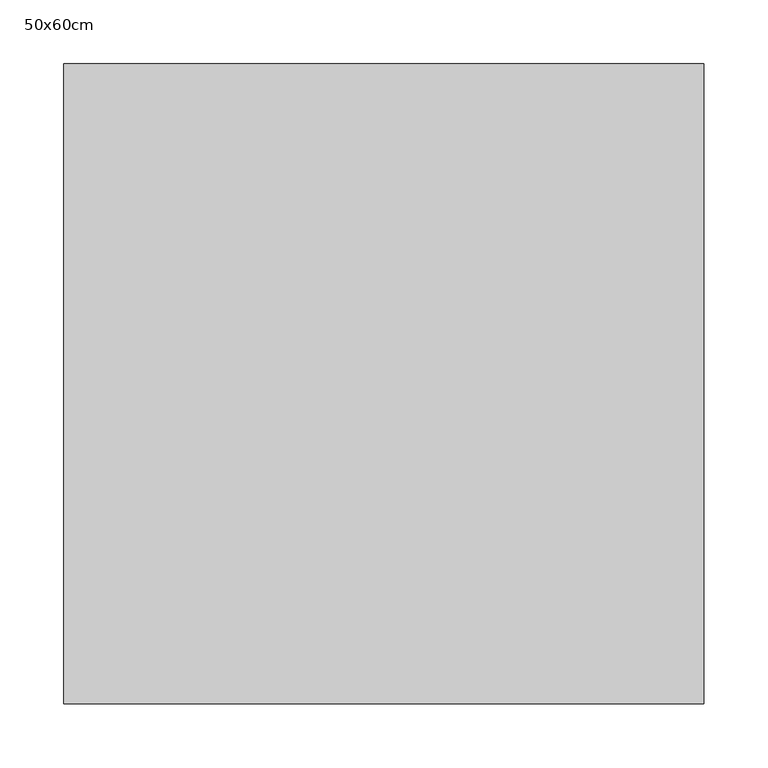
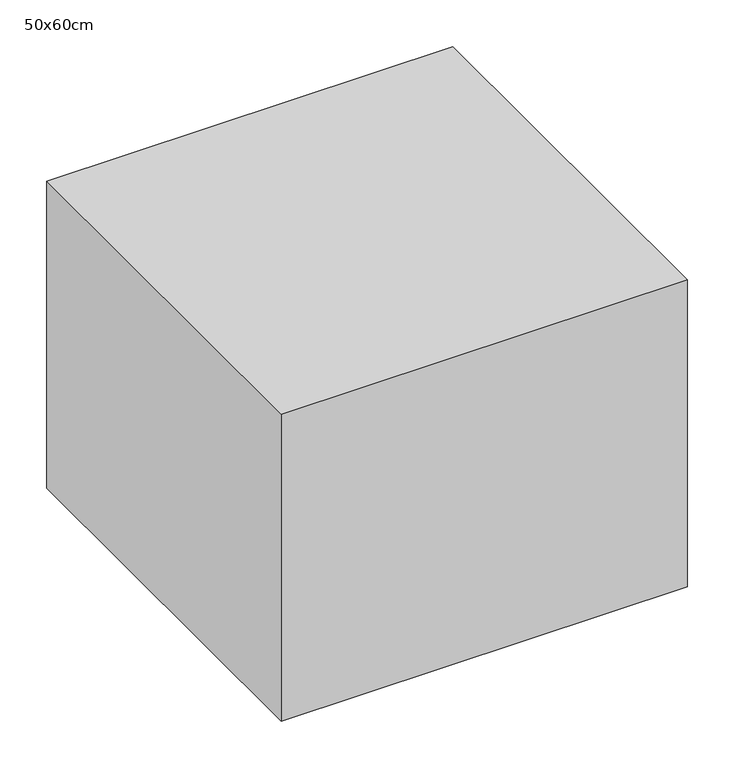
"""IFC4 building model written with IfcOpenShell, lengths in millimetres: proxy geometry, 50x60cm."""

from ifc_helpers import new_model, si_unit, frame, origin, place, context, project, spatial, polyline, outline, extrude, source, transform, mapped, element, save


def proxy_50x60cm_c0ae6714(model_context):
    return source(origin(), model_context, "Body", "SweptSolid", [
        extrude(outline(polyline([(500.0, 500.0), (500.0, 0.0), (0.0, 0.0), (0.0, 500.0), (500.0, 500.0)])), frame((0.0, 0.0, 100.0), z_axis=(0.0, 0.0, 1.0), x_axis=(1.0, 0.0, 0.0)), (0.0, 0.0, 1.0), 400.0),
    ])


if __name__ == "__main__":
    model = new_model("IFC4")
    model_context = context("Model", 3, world=origin())
    ifc_project = project(units=[si_unit("LENGTHUNIT", "METRE", prefix="MILLI")], contexts=[model_context])
    site = spatial("IfcSite", under=ifc_project)
    building = spatial("IfcBuilding", under=site)
    placement = place(None, origin())
    proxy_50x60cm_shape = proxy_50x60cm_c0ae6714(model_context)
    element("IfcBuildingElementProxy", 1, Name="50x60cm", ObjectType="50x60cm", at=placement, inside=building, context=model_context, shape_type="MappedRepresentation", body=[
        mapped(proxy_50x60cm_shape, transform((0.0, 0.0, 0.0), x_axis=(1.0, 0.0, 0.0), y_axis=(0.0, 1.0, 0.0), z_axis=(0.0, 0.0, 1.0))),
    ])
    save(model, "model.ifc")
